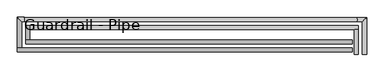
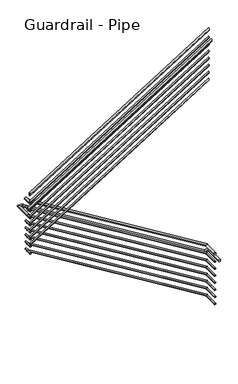
"""IFC4 building model written with IfcOpenShell, lengths in millimetres: railing geometry, Guardrail - Pipe."""

from ifc_helpers import new_model, si_unit, frame, origin, place, context, project, spatial, circle_curve, ellipse_curve, source, transform, mapped, element, save
from ifc_brep_helpers import plane_surface, cylinder_surface, advanced_brep


def guardrail_pipe_f8c8f8ec(model_context):
    return source(origin(), model_context, "Body", "AdvancedBrep", [
        advanced_brep(
        [(-10536.8064309, 2520.2151259, -2609.85), (-10574.9064309, 2520.2151259, -2609.85), (-10536.8064309, 2755.1651259, -2609.85), (-10574.9064309, 2755.1651259, -2609.85)],
        [
            (0, 1, circle_curve(frame((-10555.8564309, 2520.2151259, -2609.85), z_axis=(0.0, -1.0, 0.0), x_axis=(-1.0, 0.0, 0.0)), 19.05)),
            (1, 0, circle_curve(frame((-10555.8564309, 2520.2151259, -2609.85), z_axis=(0.0, -1.0, 0.0), x_axis=(-1.0, 0.0, 0.0)), 19.05)),
            (2, 3, circle_curve(frame((-10555.8564309, 2755.1651259, -2609.85), z_axis=(0.0, 1.0, 0.0), x_axis=(-1.0, 0.0, 0.0)), 19.05)),
            (3, 2, circle_curve(frame((-10555.8564309, 2755.1651259, -2609.85), z_axis=(0.0, 1.0, 0.0), x_axis=(-1.0, 0.0, 0.0)), 19.05)),
            (0, 2),
            (3, 1),
        ],
        [
            plane_surface(frame((-10555.8564309, 2520.2151259, -2590.8), z_axis=(0.0, -1.0, 0.0), x_axis=(0.0, 0.0, 1.0))),
            plane_surface(frame((-10555.8564309, 2755.1651259, -2590.8), z_axis=(0.0, 1.0, 0.0), x_axis=(0.0, 0.0, 1.0))),
            cylinder_surface(frame((-10555.8564309, 2520.2151259, -2609.85), z_axis=(0.0, -1.0, 0.0), x_axis=(-1.0, 0.0, 0.0)), 19.05),
        ],
        [
            (0, [[1, 2]]),
            (1, [[3, 4]]),
            (2, [[-1, 5, -4, 6]]),
            (2, [[-2, -6, -3, -5]]),
        ],
    ),
        advanced_brep(
        [(-10536.8064309, 2793.2651259, -2619.2225226), (-10536.8064309, 2755.1651259, -2619.2225226), (-13625.9612561, 2793.2651259, -724.5249041), (-13625.9612561, 2755.1651259, -724.5249041)],
        [
            (0, 1, ellipse_curve(frame((-10536.8064309, 2774.2151259, -2619.2225226), z_axis=(1.0, 0.0, 0.0), x_axis=(0.0, 0.0, -1.0)), 22.3477216, 19.05)),
            (1, 0, ellipse_curve(frame((-10536.8064309, 2774.2151259, -2619.2225226), z_axis=(1.0, 0.0, 0.0), x_axis=(0.0, 0.0, -1.0)), 22.3477216, 19.05)),
            (2, 3, ellipse_curve(frame((-13625.9612561, 2774.2151259, -724.5249041), z_axis=(-1.0, 0.0, 0.0), x_axis=(0.0, 0.0, -1.0)), 22.3477216, 19.05)),
            (3, 2, ellipse_curve(frame((-13625.9612561, 2774.2151259, -724.5249041), z_axis=(-1.0, 0.0, 0.0), x_axis=(0.0, 0.0, -1.0)), 22.3477216, 19.05)),
            (0, 2),
            (3, 1),
        ],
        [
            plane_surface(frame((-10536.8064309, 2774.2151259, -2596.874801), z_axis=(1.0, 0.0, 0.0), x_axis=(0.0, -1.0, 0.0))),
            plane_surface(frame((-13625.9612561, 2774.2151259, -702.1771825), z_axis=(-1.0, 0.0, 0.0), x_axis=(0.0, -1.0, 0.0))),
            cylinder_surface(frame((-10546.766376, 2774.2151259, -2613.1137048), z_axis=(0.8524358922743276, 0.0, -0.5228317602847697), x_axis=(0.0, -1.0, 0.0)), 19.05),
        ],
        [
            (0, [[1, 2]]),
            (1, [[3, 4]]),
            (2, [[-1, 5, -4, 6]]),
            (2, [[-2, -6, -3, -5]]),
        ],
    ),
        advanced_brep(
        [(-13664.0612561, 2793.2651259, -693.9642857), (-13625.9612561, 2793.2651259, -693.9642857), (-13664.0612561, 2656.0904418, -693.9642857), (-13625.9612561, 2656.0904418, -693.9642857)],
        [
            (0, 1, circle_curve(frame((-13645.0112561, 2793.2651259, -693.9642857), z_axis=(0.0, 1.0, 0.0), x_axis=(1.0, 0.0, 0.0)), 19.05)),
            (1, 0, circle_curve(frame((-13645.0112561, 2793.2651259, -693.9642857), z_axis=(0.0, 1.0, 0.0), x_axis=(1.0, 0.0, 0.0)), 19.05)),
            (2, 3, circle_curve(frame((-13645.0112561, 2656.0904418, -693.9642857), z_axis=(0.0, -1.0, 0.0), x_axis=(1.0, 0.0, 0.0)), 19.05)),
            (3, 2, circle_curve(frame((-13645.0112561, 2656.0904418, -693.9642857), z_axis=(0.0, -1.0, 0.0), x_axis=(1.0, 0.0, 0.0)), 19.05)),
            (0, 2),
            (3, 1),
        ],
        [
            plane_surface(frame((-13645.0112561, 2793.2651259, -674.9142857), z_axis=(0.0, 1.0, 0.0), x_axis=(0.0, 0.0, -1.0))),
            plane_surface(frame((-13645.0112561, 2656.0904418, -674.9142857), z_axis=(0.0, -1.0, 0.0), x_axis=(0.0, 0.0, -1.0))),
            cylinder_surface(frame((-13645.0112561, 2793.2651259, -693.9642857), z_axis=(0.0, 1.0, 0.0), x_axis=(1.0, 0.0, 0.0)), 19.05),
        ],
        [
            (0, [[1, 2]]),
            (1, [[3, 4]]),
            (2, [[-1, 5, -4, 6]]),
            (2, [[-2, -6, -3, -5]]),
        ],
    ),
        advanced_brep(
        [(-13664.0612561, 2617.9904418, -519.2327081), (-13664.0612561, 2656.0904418, -519.2327081), (-10597.0112561, 2617.9904418, 1392.6945646), (-10597.0112561, 2656.0904418, 1392.6945646)],
        [
            (0, 1, ellipse_curve(frame((-13664.0612561, 2637.0404418, -519.2327081), z_axis=(-1.0, 0.0, 0.0), x_axis=(0.0, 0.0, -1.0)), 22.4482925, 19.05)),
            (1, 0, ellipse_curve(frame((-13664.0612561, 2637.0404418, -519.2327081), z_axis=(-1.0, 0.0, 0.0), x_axis=(0.0, 0.0, -1.0)), 22.4482925, 19.05)),
            (2, 3, ellipse_curve(frame((-10597.0112561, 2637.0404418, 1392.6945646), z_axis=(1.0, 0.0, 0.0), x_axis=(0.0, 0.0, -1.0)), 22.4482925, 19.05)),
            (3, 2, ellipse_curve(frame((-10597.0112561, 2637.0404418, 1392.6945646), z_axis=(1.0, 0.0, 0.0), x_axis=(0.0, 0.0, -1.0)), 22.4482925, 19.05)),
            (0, 2),
            (3, 1),
        ],
        [
            plane_surface(frame((-13664.0612561, 2637.0404418, -496.7844156), z_axis=(-1.0, 0.0, 0.0), x_axis=(0.0, 1.0, 0.0))),
            plane_surface(frame((-10597.0112561, 2637.0404418, 1415.1428571), z_axis=(1.0, 0.0, 0.0), x_axis=(0.0, 1.0, 0.0))),
            cylinder_surface(frame((-13653.9836551, 2637.0404418, -512.9505672), z_axis=(-0.8486168825713742, 0.0, -0.5290079267977394), x_axis=(0.0, 1.0, 0.0)), 19.05),
        ],
        [
            (0, [[1, 2]]),
            (1, [[3, 4]]),
            (2, [[-1, 5, -4, 6]]),
            (2, [[-2, -6, -3, -5]]),
        ],
    ),
        advanced_brep(
        [(-10543.1564309, 2520.2151259, -2755.9), (-10568.5564309, 2520.2151259, -2755.9), (-10543.1564309, 2761.5151259, -2755.9), (-10568.5564309, 2761.5151259, -2755.9)],
        [
            (0, 1, circle_curve(frame((-10555.8564309, 2520.2151259, -2755.9), z_axis=(0.0, -1.0, 0.0), x_axis=(-1.0, 0.0, 0.0)), 12.7)),
            (1, 0, circle_curve(frame((-10555.8564309, 2520.2151259, -2755.9), z_axis=(0.0, -1.0, 0.0), x_axis=(-1.0, 0.0, 0.0)), 12.7)),
            (2, 3, circle_curve(frame((-10555.8564309, 2761.5151259, -2755.9), z_axis=(0.0, 1.0, 0.0), x_axis=(-1.0, 0.0, 0.0)), 12.7)),
            (3, 2, circle_curve(frame((-10555.8564309, 2761.5151259, -2755.9), z_axis=(0.0, 1.0, 0.0), x_axis=(-1.0, 0.0, 0.0)), 12.7)),
            (0, 2),
            (3, 1),
        ],
        [
            plane_surface(frame((-10555.8564309, 2520.2151259, -2743.2), z_axis=(0.0, -1.0, 0.0), x_axis=(0.0, 0.0, 1.0))),
            plane_surface(frame((-10555.8564309, 2761.5151259, -2743.2), z_axis=(0.0, 1.0, 0.0), x_axis=(0.0, 0.0, 1.0))),
            cylinder_surface(frame((-10555.8564309, 2520.2151259, -2755.9), z_axis=(0.0, -1.0, 0.0), x_axis=(-1.0, 0.0, 0.0)), 12.7),
        ],
        [
            (0, [[1, 2]]),
            (1, [[3, 4]]),
            (2, [[-1, 5, -4, 6]]),
            (2, [[-2, -6, -3, -5]]),
        ],
    ),
        advanced_brep(
        [(-10543.1564309, 2786.9151259, -2760.2785826), (-10543.1564309, 2761.5151259, -2760.2785826), (-13632.3112561, 2786.9151259, -865.580964), (-13632.3112561, 2761.5151259, -865.580964)],
        [
            (0, 1, ellipse_curve(frame((-10543.1564309, 2774.2151259, -2760.2785826), z_axis=(1.0, 0.0, 0.0), x_axis=(0.0, 0.0, -1.0)), 14.8984811, 12.7)),
            (1, 0, ellipse_curve(frame((-10543.1564309, 2774.2151259, -2760.2785826), z_axis=(1.0, 0.0, 0.0), x_axis=(0.0, 0.0, -1.0)), 14.8984811, 12.7)),
            (2, 3, ellipse_curve(frame((-13632.3112561, 2774.2151259, -865.580964), z_axis=(-1.0, 0.0, 0.0), x_axis=(0.0, 0.0, -1.0)), 14.8984811, 12.7)),
            (3, 2, ellipse_curve(frame((-13632.3112561, 2774.2151259, -865.580964), z_axis=(-1.0, 0.0, 0.0), x_axis=(0.0, 0.0, -1.0)), 14.8984811, 12.7)),
            (0, 2),
            (3, 1),
        ],
        [
            plane_surface(frame((-10543.1564309, 2774.2151259, -2745.3801015), z_axis=(1.0, 0.0, 0.0), x_axis=(0.0, -1.0, 0.0))),
            plane_surface(frame((-13632.3112561, 2774.2151259, -850.682483), z_axis=(-1.0, 0.0, 0.0), x_axis=(0.0, -1.0, 0.0))),
            cylinder_surface(frame((-10549.7963943, 2774.2151259, -2756.2060373), z_axis=(0.8524358922743276, 0.0, -0.5228317602847697), x_axis=(0.0, -1.0, 0.0)), 12.7),
        ],
        [
            (0, [[1, 2]]),
            (1, [[3, 4]]),
            (2, [[-1, 5, -4, 6]]),
            (2, [[-2, -6, -3, -5]]),
        ],
    ),
        advanced_brep(
        [(-13657.7112561, 2786.9151259, -840.0142857), (-13632.3112561, 2786.9151259, -840.0142857), (-13657.7112561, 2649.7404418, -840.0142857), (-13632.3112561, 2649.7404418, -840.0142857)],
        [
            (0, 1, circle_curve(frame((-13645.0112561, 2786.9151259, -840.0142857), z_axis=(0.0, 1.0, 0.0), x_axis=(1.0, 0.0, 0.0)), 12.7)),
            (1, 0, circle_curve(frame((-13645.0112561, 2786.9151259, -840.0142857), z_axis=(0.0, 1.0, 0.0), x_axis=(1.0, 0.0, 0.0)), 12.7)),
            (2, 3, circle_curve(frame((-13645.0112561, 2649.7404418, -840.0142857), z_axis=(0.0, -1.0, 0.0), x_axis=(1.0, 0.0, 0.0)), 12.7)),
            (3, 2, circle_curve(frame((-13645.0112561, 2649.7404418, -840.0142857), z_axis=(0.0, -1.0, 0.0), x_axis=(1.0, 0.0, 0.0)), 12.7)),
            (0, 2),
            (3, 1),
        ],
        [
            plane_surface(frame((-13645.0112561, 2786.9151259, -827.3142857), z_axis=(0.0, 1.0, 0.0), x_axis=(0.0, 0.0, -1.0))),
            plane_surface(frame((-13645.0112561, 2649.7404418, -827.3142857), z_axis=(0.0, -1.0, 0.0), x_axis=(0.0, 0.0, -1.0))),
            cylinder_surface(frame((-13645.0112561, 2786.9151259, -840.0142857), z_axis=(0.0, 1.0, 0.0), x_axis=(1.0, 0.0, 0.0)), 12.7),
        ],
        [
            (0, [[1, 2]]),
            (1, [[3, 4]]),
            (2, [[-1, 5, -4, 6]]),
            (2, [[-2, -6, -3, -5]]),
        ],
    ),
        advanced_brep(
        [(-13657.7112561, 2624.3404418, -660.1915024), (-13657.7112561, 2649.7404418, -660.1915024), (-10597.0112561, 2624.3404418, 1247.7773288), (-10597.0112561, 2649.7404418, 1247.7773288)],
        [
            (0, 1, ellipse_curve(frame((-13657.7112561, 2637.0404418, -660.1915024), z_axis=(-1.0, 0.0, 0.0), x_axis=(0.0, 0.0, -1.0)), 14.9655283, 12.7)),
            (1, 0, ellipse_curve(frame((-13657.7112561, 2637.0404418, -660.1915024), z_axis=(-1.0, 0.0, 0.0), x_axis=(0.0, 0.0, -1.0)), 14.9655283, 12.7)),
            (2, 3, ellipse_curve(frame((-10597.0112561, 2637.0404418, 1247.7773288), z_axis=(1.0, 0.0, 0.0), x_axis=(0.0, 0.0, -1.0)), 14.9655283, 12.7)),
            (3, 2, ellipse_curve(frame((-10597.0112561, 2637.0404418, 1247.7773288), z_axis=(1.0, 0.0, 0.0), x_axis=(0.0, 0.0, -1.0)), 14.9655283, 12.7)),
            (0, 2),
            (3, 1),
        ],
        [
            plane_surface(frame((-13657.7112561, 2637.0404418, -645.225974), z_axis=(-1.0, 0.0, 0.0), x_axis=(0.0, 1.0, 0.0))),
            plane_surface(frame((-10597.0112561, 2637.0404418, 1262.7428571), z_axis=(1.0, 0.0, 0.0), x_axis=(0.0, 1.0, 0.0))),
            cylinder_surface(frame((-13650.9928555, 2637.0404418, -656.0034084), z_axis=(-0.8486168825713742, 0.0, -0.5290079267977394), x_axis=(0.0, 1.0, 0.0)), 12.7),
        ],
        [
            (0, [[1, 2]]),
            (1, [[3, 4]]),
            (2, [[-1, 5, -4, 6]]),
            (2, [[-2, -6, -3, -5]]),
        ],
    ),
        advanced_brep(
        [(-10460.6064309, 2520.2151259, -2762.25), (-10498.7064309, 2520.2151259, -2762.25), (-10460.6064309, 2869.4651259, -2762.25), (-10498.7064309, 2831.3651259, -2762.25), (-10552.0875889, 2869.4651259, -2762.25), (-10552.0875889, 2831.3651259, -2762.25), (-13675.7879307, 2869.4651259, -846.3642857), (-13675.7879307, 2831.3651259, -846.3642857), (-13740.2612561, 2869.4651259, -846.3642857), (-13702.1612561, 2831.3651259, -846.3642857), (-13740.2612561, 2579.8904418, -846.3642857), (-13702.1612561, 2579.8904418, -846.3642857)],
        [
            (0, 1, circle_curve(frame((-10479.6564309, 2520.2151259, -2762.25), z_axis=(0.0, -1.0, 0.0), x_axis=(-1.0, 0.0, 0.0)), 19.05)),
            (1, 0, circle_curve(frame((-10479.6564309, 2520.2151259, -2762.25), z_axis=(0.0, -1.0, 0.0), x_axis=(-1.0, 0.0, 0.0)), 19.05)),
            (0, 2),
            (2, 3, ellipse_curve(frame((-10479.6564309, 2850.4151259, -2762.25), z_axis=(0.7071067811865462, -0.7071067811865488, 0.0), x_axis=(-0.7071067811865488, -0.7071067811865462, 0.0)), 26.9407684, 19.05)),
            (3, 1),
            (3, 2, ellipse_curve(frame((-10479.6564309, 2850.4151259, -2762.25), z_axis=(0.7071067811865462, -0.7071067811865488, 0.0), x_axis=(-0.7071067811865488, -0.7071067811865462, 0.0)), 26.9407684, 19.05)),
            (2, 4),
            (4, 5, ellipse_curve(frame((-10552.0875889, 2850.4151259, -2762.25), z_axis=(0.9624021748402088, 0.0, -0.27162852181395863), x_axis=(0.27162852181395825, 0.0, 0.962402174840209)), 19.7942196, 19.05)),
            (5, 3),
            (5, 4, ellipse_curve(frame((-10552.0875889, 2850.4151259, -2762.25), z_axis=(0.9624021748402088, 0.0, -0.27162852181395863), x_axis=(0.27162852181395825, 0.0, 0.962402174840209)), 19.7942196, 19.05)),
            (4, 6),
            (6, 7, ellipse_curve(frame((-13675.7879307, 2850.4151259, -846.3642857), z_axis=(0.9624021748402088, 0.0, -0.2716285218139585), x_axis=(-0.2716285218139585, 0.0, -0.9624021748402087)), 19.7942196, 19.05)),
            (7, 5),
            (7, 6, ellipse_curve(frame((-13675.7879307, 2850.4151259, -846.3642857), z_axis=(0.9624021748402088, 0.0, -0.2716285218139585), x_axis=(-0.2716285218139585, 0.0, -0.9624021748402087)), 19.7942196, 19.05)),
            (6, 8),
            (8, 9, ellipse_curve(frame((-13721.2112561, 2850.4151259, -846.3642857), z_axis=(0.7071067811865452, 0.7071067811865498, 0.0), x_axis=(0.7071067811865498, -0.7071067811865451, 0.0)), 26.9407684, 19.05)),
            (9, 7),
            (9, 8, ellipse_curve(frame((-13721.2112561, 2850.4151259, -846.3642857), z_axis=(0.7071067811865452, 0.7071067811865498, 0.0), x_axis=(0.7071067811865498, -0.7071067811865451, 0.0)), 26.9407684, 19.05)),
            (10, 11, circle_curve(frame((-13721.2112561, 2579.8904418, -846.3642857), z_axis=(0.0, -1.0, 0.0), x_axis=(1.0, 0.0, 0.0)), 19.05)),
            (11, 10, circle_curve(frame((-13721.2112561, 2579.8904418, -846.3642857), z_axis=(0.0, -1.0, 0.0), x_axis=(1.0, 0.0, 0.0)), 19.05)),
            (8, 10),
            (11, 9),
        ],
        [
            plane_surface(frame((-10479.6564309, 2520.2151259, -2743.2), z_axis=(0.0, -1.0, 0.0), x_axis=(0.0, 0.0, 1.0))),
            cylinder_surface(frame((-10479.6564309, 2520.2151259, -2762.25), z_axis=(0.0, -1.0, 0.0), x_axis=(-1.0, 0.0, 0.0)), 19.05),
            cylinder_surface(frame((-10479.6564309, 2850.4151259, -2762.25), z_axis=(1.0, 0.0, 0.0), x_axis=(0.0, -1.0, 0.0)), 19.05),
            cylinder_surface(frame((-10556.6708593, 2850.4151259, -2759.4389037), z_axis=(0.8524358922743276, 0.0, -0.5228317602847697), x_axis=(0.0, -1.0, 0.0)), 19.05),
            cylinder_surface(frame((-13670.4112561, 2850.4151259, -846.3642857), z_axis=(1.0, 0.0, 0.0), x_axis=(0.0, -1.0, 0.0)), 19.05),
            plane_surface(frame((-13721.2112561, 2579.8904418, -827.3142857), z_axis=(0.0, -1.0, 0.0), x_axis=(0.0, 0.0, -1.0))),
            cylinder_surface(frame((-13721.2112561, 2850.4151259, -846.3642857), z_axis=(0.0, 1.0, 0.0), x_axis=(1.0, 0.0, 0.0)), 19.05),
        ],
        [
            (0, [[1, 2]]),
            (1, [[-1, 3, 4, 5]]),
            (1, [[-2, -5, 6, -3]]),
            (2, [[-4, 7, 8, 9]]),
            (2, [[-6, -9, 10, -7]]),
            (3, [[-8, 11, 12, 13]]),
            (3, [[-10, -13, 14, -11]]),
            (4, [[-12, 15, 16, 17]]),
            (4, [[-14, -17, 18, -15]]),
            (5, [[19, 20]]),
            (6, [[-16, 21, -20, 22]]),
            (6, [[-18, -22, -19, -21]]),
        ],
    ),
        advanced_brep(
        [(-13740.2612561, 2541.7904418, -719.1340068), (-13740.2612561, 2579.8904418, -719.1340068), (-10597.0112561, 2541.7904418, 1240.2945646), (-10597.0112561, 2579.8904418, 1240.2945646)],
        [
            (0, 1, ellipse_curve(frame((-13740.2612561, 2560.8404418, -719.1340068), z_axis=(-1.0, 0.0, 0.0), x_axis=(0.0, 0.0, -1.0)), 22.4482925, 19.05)),
            (1, 0, ellipse_curve(frame((-13740.2612561, 2560.8404418, -719.1340068), z_axis=(-1.0, 0.0, 0.0), x_axis=(0.0, 0.0, -1.0)), 22.4482925, 19.05)),
            (2, 3, ellipse_curve(frame((-10597.0112561, 2560.8404418, 1240.2945646), z_axis=(1.0, 0.0, 0.0), x_axis=(0.0, 0.0, -1.0)), 22.4482925, 19.05)),
            (3, 2, ellipse_curve(frame((-10597.0112561, 2560.8404418, 1240.2945646), z_axis=(1.0, 0.0, 0.0), x_axis=(0.0, 0.0, -1.0)), 22.4482925, 19.05)),
            (0, 2),
            (3, 1),
        ],
        [
            plane_surface(frame((-13740.2612561, 2560.8404418, -696.6857143), z_axis=(-1.0, 0.0, 0.0), x_axis=(0.0, 1.0, 0.0))),
            plane_surface(frame((-10597.0112561, 2560.8404418, 1262.7428571), z_axis=(1.0, 0.0, 0.0), x_axis=(0.0, 1.0, 0.0))),
            cylinder_surface(frame((-13730.1836551, 2560.8404418, -712.8518659), z_axis=(-0.8486168825713741, 0.0, -0.5290079267977397), x_axis=(0.0, 1.0, 0.0)), 19.05),
        ],
        [
            (0, [[1, 2]]),
            (1, [[3, 4]]),
            (2, [[-1, 5, -4, 6]]),
            (2, [[-2, -6, -3, -5]]),
        ],
    ),
        advanced_brep(
        [(-10543.1564309, 2520.2151259, -2882.9), (-10568.5564309, 2520.2151259, -2882.9), (-10543.1564309, 2761.5151259, -2882.9), (-10568.5564309, 2761.5151259, -2882.9)],
        [
            (0, 1, circle_curve(frame((-10555.8564309, 2520.2151259, -2882.9), z_axis=(0.0, -1.0, 0.0), x_axis=(-1.0, 0.0, 0.0)), 12.7)),
            (1, 0, circle_curve(frame((-10555.8564309, 2520.2151259, -2882.9), z_axis=(0.0, -1.0, 0.0), x_axis=(-1.0, 0.0, 0.0)), 12.7)),
            (2, 3, circle_curve(frame((-10555.8564309, 2761.5151259, -2882.9), z_axis=(0.0, 1.0, 0.0), x_axis=(-1.0, 0.0, 0.0)), 12.7)),
            (3, 2, circle_curve(frame((-10555.8564309, 2761.5151259, -2882.9), z_axis=(0.0, 1.0, 0.0), x_axis=(-1.0, 0.0, 0.0)), 12.7)),
            (0, 2),
            (3, 1),
        ],
        [
            plane_surface(frame((-10555.8564309, 2520.2151259, -2870.2), z_axis=(0.0, -1.0, 0.0), x_axis=(0.0, 0.0, 1.0))),
            plane_surface(frame((-10555.8564309, 2761.5151259, -2870.2), z_axis=(0.0, 1.0, 0.0), x_axis=(0.0, 0.0, 1.0))),
            cylinder_surface(frame((-10555.8564309, 2520.2151259, -2882.9), z_axis=(0.0, -1.0, 0.0), x_axis=(-1.0, 0.0, 0.0)), 12.7),
        ],
        [
            (0, [[1, 2]]),
            (1, [[3, 4]]),
            (2, [[-1, 5, -4, 6]]),
            (2, [[-2, -6, -3, -5]]),
        ],
    ),
        advanced_brep(
        [(-10543.1564309, 2786.9151259, -2887.2785826), (-10543.1564309, 2761.5151259, -2887.2785826), (-13632.3112561, 2786.9151259, -992.580964), (-13632.3112561, 2761.5151259, -992.580964)],
        [
            (0, 1, ellipse_curve(frame((-10543.1564309, 2774.2151259, -2887.2785826), z_axis=(1.0, 0.0, 0.0), x_axis=(0.0, 0.0, -1.0)), 14.8984811, 12.7)),
            (1, 0, ellipse_curve(frame((-10543.1564309, 2774.2151259, -2887.2785826), z_axis=(1.0, 0.0, 0.0), x_axis=(0.0, 0.0, -1.0)), 14.8984811, 12.7)),
            (2, 3, ellipse_curve(frame((-13632.3112561, 2774.2151259, -992.580964), z_axis=(-1.0, 0.0, 0.0), x_axis=(0.0, 0.0, -1.0)), 14.8984811, 12.7)),
            (3, 2, ellipse_curve(frame((-13632.3112561, 2774.2151259, -992.580964), z_axis=(-1.0, 0.0, 0.0), x_axis=(0.0, 0.0, -1.0)), 14.8984811, 12.7)),
            (0, 2),
            (3, 1),
        ],
        [
            plane_surface(frame((-10543.1564309, 2774.2151259, -2872.3801015), z_axis=(1.0, 0.0, 0.0), x_axis=(0.0, -1.0, 0.0))),
            plane_surface(frame((-13632.3112561, 2774.2151259, -977.682483), z_axis=(-1.0, 0.0, 0.0), x_axis=(0.0, -1.0, 0.0))),
            cylinder_surface(frame((-10549.7963943, 2774.2151259, -2883.2060373), z_axis=(0.8524358922743277, 0.0, -0.5228317602847697), x_axis=(0.0, -1.0, 0.0)), 12.7),
        ],
        [
            (0, [[1, 2]]),
            (1, [[3, 4]]),
            (2, [[-1, 5, -4, 6]]),
            (2, [[-2, -6, -3, -5]]),
        ],
    ),
        advanced_brep(
        [(-13657.7112561, 2786.9151259, -967.0142857), (-13632.3112561, 2786.9151259, -967.0142857), (-13657.7112561, 2649.7404418, -967.0142857), (-13632.3112561, 2649.7404418, -967.0142857)],
        [
            (0, 1, circle_curve(frame((-13645.0112561, 2786.9151259, -967.0142857), z_axis=(0.0, 1.0, 0.0), x_axis=(1.0, 0.0, 0.0)), 12.7)),
            (1, 0, circle_curve(frame((-13645.0112561, 2786.9151259, -967.0142857), z_axis=(0.0, 1.0, 0.0), x_axis=(1.0, 0.0, 0.0)), 12.7)),
            (2, 3, circle_curve(frame((-13645.0112561, 2649.7404418, -967.0142857), z_axis=(0.0, -1.0, 0.0), x_axis=(1.0, 0.0, 0.0)), 12.7)),
            (3, 2, circle_curve(frame((-13645.0112561, 2649.7404418, -967.0142857), z_axis=(0.0, -1.0, 0.0), x_axis=(1.0, 0.0, 0.0)), 12.7)),
            (0, 2),
            (3, 1),
        ],
        [
            plane_surface(frame((-13645.0112561, 2786.9151259, -954.3142857), z_axis=(0.0, 1.0, 0.0), x_axis=(0.0, 0.0, -1.0))),
            plane_surface(frame((-13645.0112561, 2649.7404418, -954.3142857), z_axis=(0.0, -1.0, 0.0), x_axis=(0.0, 0.0, -1.0))),
            cylinder_surface(frame((-13645.0112561, 2786.9151259, -967.0142857), z_axis=(0.0, 1.0, 0.0), x_axis=(1.0, 0.0, 0.0)), 12.7),
        ],
        [
            (0, [[1, 2]]),
            (1, [[3, 4]]),
            (2, [[-1, 5, -4, 6]]),
            (2, [[-2, -6, -3, -5]]),
        ],
    ),
        advanced_brep(
        [(-13657.7112561, 2624.3404418, -787.1915024), (-13657.7112561, 2649.7404418, -787.1915024), (-10597.0112561, 2624.3404418, 1120.7773288), (-10597.0112561, 2649.7404418, 1120.7773288)],
        [
            (0, 1, ellipse_curve(frame((-13657.7112561, 2637.0404418, -787.1915024), z_axis=(-1.0, 0.0, 0.0), x_axis=(0.0, 0.0, -1.0)), 14.9655283, 12.7)),
            (1, 0, ellipse_curve(frame((-13657.7112561, 2637.0404418, -787.1915024), z_axis=(-1.0, 0.0, 0.0), x_axis=(0.0, 0.0, -1.0)), 14.9655283, 12.7)),
            (2, 3, ellipse_curve(frame((-10597.0112561, 2637.0404418, 1120.7773288), z_axis=(1.0, 0.0, 0.0), x_axis=(0.0, 0.0, -1.0)), 14.9655283, 12.7)),
            (3, 2, ellipse_curve(frame((-10597.0112561, 2637.0404418, 1120.7773288), z_axis=(1.0, 0.0, 0.0), x_axis=(0.0, 0.0, -1.0)), 14.9655283, 12.7)),
            (0, 2),
            (3, 1),
        ],
        [
            plane_surface(frame((-13657.7112561, 2637.0404418, -772.225974), z_axis=(-1.0, 0.0, 0.0), x_axis=(0.0, 1.0, 0.0))),
            plane_surface(frame((-10597.0112561, 2637.0404418, 1135.7428571), z_axis=(1.0, 0.0, 0.0), x_axis=(0.0, 1.0, 0.0))),
            cylinder_surface(frame((-13650.9928555, 2637.0404418, -783.0034084), z_axis=(-0.8486168825713742, 0.0, -0.5290079267977394), x_axis=(0.0, 1.0, 0.0)), 12.7),
        ],
        [
            (0, [[1, 2]]),
            (1, [[3, 4]]),
            (2, [[-1, 5, -4, 6]]),
            (2, [[-2, -6, -3, -5]]),
        ],
    ),
        advanced_brep(
        [(-10543.1564309, 2520.2151259, -3009.9), (-10568.5564309, 2520.2151259, -3009.9), (-10543.1564309, 2761.5151259, -3009.9), (-10568.5564309, 2761.5151259, -3009.9)],
        [
            (0, 1, circle_curve(frame((-10555.8564309, 2520.2151259, -3009.9), z_axis=(0.0, -1.0, 0.0), x_axis=(-1.0, 0.0, 0.0)), 12.7)),
            (1, 0, circle_curve(frame((-10555.8564309, 2520.2151259, -3009.9), z_axis=(0.0, -1.0, 0.0), x_axis=(-1.0, 0.0, 0.0)), 12.7)),
            (2, 3, circle_curve(frame((-10555.8564309, 2761.5151259, -3009.9), z_axis=(0.0, 1.0, 0.0), x_axis=(-1.0, 0.0, 0.0)), 12.7)),
            (3, 2, circle_curve(frame((-10555.8564309, 2761.5151259, -3009.9), z_axis=(0.0, 1.0, 0.0), x_axis=(-1.0, 0.0, 0.0)), 12.7)),
            (0, 2),
            (3, 1),
        ],
        [
            plane_surface(frame((-10555.8564309, 2520.2151259, -2997.2), z_axis=(0.0, -1.0, 0.0), x_axis=(0.0, 0.0, 1.0))),
            plane_surface(frame((-10555.8564309, 2761.5151259, -2997.2), z_axis=(0.0, 1.0, 0.0), x_axis=(0.0, 0.0, 1.0))),
            cylinder_surface(frame((-10555.8564309, 2520.2151259, -3009.9), z_axis=(0.0, -1.0, 0.0), x_axis=(-1.0, 0.0, 0.0)), 12.7),
        ],
        [
            (0, [[1, 2]]),
            (1, [[3, 4]]),
            (2, [[-1, 5, -4, 6]]),
            (2, [[-2, -6, -3, -5]]),
        ],
    ),
        advanced_brep(
        [(-10543.1564309, 2786.9151259, -3014.2785826), (-10543.1564309, 2761.5151259, -3014.2785826), (-13632.3112561, 2786.9151259, -1119.580964), (-13632.3112561, 2761.5151259, -1119.580964)],
        [
            (0, 1, ellipse_curve(frame((-10543.1564309, 2774.2151259, -3014.2785826), z_axis=(1.0, 0.0, 0.0), x_axis=(0.0, 0.0, -1.0)), 14.8984811, 12.7)),
            (1, 0, ellipse_curve(frame((-10543.1564309, 2774.2151259, -3014.2785826), z_axis=(1.0, 0.0, 0.0), x_axis=(0.0, 0.0, -1.0)), 14.8984811, 12.7)),
            (2, 3, ellipse_curve(frame((-13632.3112561, 2774.2151259, -1119.580964), z_axis=(-1.0, 0.0, 0.0), x_axis=(0.0, 0.0, -1.0)), 14.8984811, 12.7)),
            (3, 2, ellipse_curve(frame((-13632.3112561, 2774.2151259, -1119.580964), z_axis=(-1.0, 0.0, 0.0), x_axis=(0.0, 0.0, -1.0)), 14.8984811, 12.7)),
            (0, 2),
            (3, 1),
        ],
        [
            plane_surface(frame((-10543.1564309, 2774.2151259, -2999.3801015), z_axis=(1.0, 0.0, 0.0), x_axis=(0.0, -1.0, 0.0))),
            plane_surface(frame((-13632.3112561, 2774.2151259, -1104.682483), z_axis=(-1.0, 0.0, 0.0), x_axis=(0.0, -1.0, 0.0))),
            cylinder_surface(frame((-10549.7963943, 2774.2151259, -3010.2060373), z_axis=(0.8524358922743276, 0.0, -0.5228317602847697), x_axis=(0.0, -1.0, 0.0)), 12.7),
        ],
        [
            (0, [[1, 2]]),
            (1, [[3, 4]]),
            (2, [[-1, 5, -4, 6]]),
            (2, [[-2, -6, -3, -5]]),
        ],
    ),
        advanced_brep(
        [(-13657.7112561, 2786.9151259, -1094.0142857), (-13632.3112561, 2786.9151259, -1094.0142857), (-13657.7112561, 2649.7404418, -1094.0142857), (-13632.3112561, 2649.7404418, -1094.0142857)],
        [
            (0, 1, circle_curve(frame((-13645.0112561, 2786.9151259, -1094.0142857), z_axis=(0.0, 1.0, 0.0), x_axis=(1.0, 0.0, 0.0)), 12.7)),
            (1, 0, circle_curve(frame((-13645.0112561, 2786.9151259, -1094.0142857), z_axis=(0.0, 1.0, 0.0), x_axis=(1.0, 0.0, 0.0)), 12.7)),
            (2, 3, circle_curve(frame((-13645.0112561, 2649.7404418, -1094.0142857), z_axis=(0.0, -1.0, 0.0), x_axis=(1.0, 0.0, 0.0)), 12.7)),
            (3, 2, circle_curve(frame((-13645.0112561, 2649.7404418, -1094.0142857), z_axis=(0.0, -1.0, 0.0), x_axis=(1.0, 0.0, 0.0)), 12.7)),
            (0, 2),
            (3, 1),
        ],
        [
            plane_surface(frame((-13645.0112561, 2786.9151259, -1081.3142857), z_axis=(0.0, 1.0, 0.0), x_axis=(0.0, 0.0, -1.0))),
            plane_surface(frame((-13645.0112561, 2649.7404418, -1081.3142857), z_axis=(0.0, -1.0, 0.0), x_axis=(0.0, 0.0, -1.0))),
            cylinder_surface(frame((-13645.0112561, 2786.9151259, -1094.0142857), z_axis=(0.0, 1.0, 0.0), x_axis=(1.0, 0.0, 0.0)), 12.7),
        ],
        [
            (0, [[1, 2]]),
            (1, [[3, 4]]),
            (2, [[-1, 5, -4, 6]]),
            (2, [[-2, -6, -3, -5]]),
        ],
    ),
        advanced_brep(
        [(-13657.7112561, 2624.3404418, -914.1915024), (-13657.7112561, 2649.7404418, -914.1915024), (-10597.0112561, 2624.3404418, 993.7773288), (-10597.0112561, 2649.7404418, 993.7773288)],
        [
            (0, 1, ellipse_curve(frame((-13657.7112561, 2637.0404418, -914.1915024), z_axis=(-1.0, 0.0, 0.0), x_axis=(0.0, 0.0, -1.0)), 14.9655283, 12.7)),
            (1, 0, ellipse_curve(frame((-13657.7112561, 2637.0404418, -914.1915024), z_axis=(-1.0, 0.0, 0.0), x_axis=(0.0, 0.0, -1.0)), 14.9655283, 12.7)),
            (2, 3, ellipse_curve(frame((-10597.0112561, 2637.0404418, 993.7773288), z_axis=(1.0, 0.0, 0.0), x_axis=(0.0, 0.0, -1.0)), 14.9655283, 12.7)),
            (3, 2, ellipse_curve(frame((-10597.0112561, 2637.0404418, 993.7773288), z_axis=(1.0, 0.0, 0.0), x_axis=(0.0, 0.0, -1.0)), 14.9655283, 12.7)),
            (0, 2),
            (3, 1),
        ],
        [
            plane_surface(frame((-13657.7112561, 2637.0404418, -899.225974), z_axis=(-1.0, 0.0, 0.0), x_axis=(0.0, 1.0, 0.0))),
            plane_surface(frame((-10597.0112561, 2637.0404418, 1008.7428571), z_axis=(1.0, 0.0, 0.0), x_axis=(0.0, 1.0, 0.0))),
            cylinder_surface(frame((-13650.9928555, 2637.0404418, -910.0034084), z_axis=(-0.8486168825713742, 0.0, -0.5290079267977394), x_axis=(0.0, 1.0, 0.0)), 12.7),
        ],
        [
            (0, [[1, 2]]),
            (1, [[3, 4]]),
            (2, [[-1, 5, -4, 6]]),
            (2, [[-2, -6, -3, -5]]),
        ],
    ),
        advanced_brep(
        [(-10543.1564309, 2520.2151259, -3136.9), (-10568.5564309, 2520.2151259, -3136.9), (-10543.1564309, 2761.5151259, -3136.9), (-10568.5564309, 2761.5151259, -3136.9)],
        [
            (0, 1, circle_curve(frame((-10555.8564309, 2520.2151259, -3136.9), z_axis=(0.0, -1.0, 0.0), x_axis=(-1.0, 0.0, 0.0)), 12.7)),
            (1, 0, circle_curve(frame((-10555.8564309, 2520.2151259, -3136.9), z_axis=(0.0, -1.0, 0.0), x_axis=(-1.0, 0.0, 0.0)), 12.7)),
            (2, 3, circle_curve(frame((-10555.8564309, 2761.5151259, -3136.9), z_axis=(0.0, 1.0, 0.0), x_axis=(-1.0, 0.0, 0.0)), 12.7)),
            (3, 2, circle_curve(frame((-10555.8564309, 2761.5151259, -3136.9), z_axis=(0.0, 1.0, 0.0), x_axis=(-1.0, 0.0, 0.0)), 12.7)),
            (0, 2),
            (3, 1),
        ],
        [
            plane_surface(frame((-10555.8564309, 2520.2151259, -3124.2), z_axis=(0.0, -1.0, 0.0), x_axis=(0.0, 0.0, 1.0))),
            plane_surface(frame((-10555.8564309, 2761.5151259, -3124.2), z_axis=(0.0, 1.0, 0.0), x_axis=(0.0, 0.0, 1.0))),
            cylinder_surface(frame((-10555.8564309, 2520.2151259, -3136.9), z_axis=(0.0, -1.0, 0.0), x_axis=(-1.0, 0.0, 0.0)), 12.7),
        ],
        [
            (0, [[1, 2]]),
            (1, [[3, 4]]),
            (2, [[-1, 5, -4, 6]]),
            (2, [[-2, -6, -3, -5]]),
        ],
    ),
        advanced_brep(
        [(-10543.1564309, 2786.9151259, -3141.2785826), (-10543.1564309, 2761.5151259, -3141.2785826), (-13632.3112561, 2786.9151259, -1246.580964), (-13632.3112561, 2761.5151259, -1246.580964)],
        [
            (0, 1, ellipse_curve(frame((-10543.1564309, 2774.2151259, -3141.2785826), z_axis=(1.0, 0.0, 0.0), x_axis=(0.0, 0.0, -1.0)), 14.8984811, 12.7)),
            (1, 0, ellipse_curve(frame((-10543.1564309, 2774.2151259, -3141.2785826), z_axis=(1.0, 0.0, 0.0), x_axis=(0.0, 0.0, -1.0)), 14.8984811, 12.7)),
            (2, 3, ellipse_curve(frame((-13632.3112561, 2774.2151259, -1246.580964), z_axis=(-1.0, 0.0, 0.0), x_axis=(0.0, 0.0, -1.0)), 14.8984811, 12.7)),
            (3, 2, ellipse_curve(frame((-13632.3112561, 2774.2151259, -1246.580964), z_axis=(-1.0, 0.0, 0.0), x_axis=(0.0, 0.0, -1.0)), 14.8984811, 12.7)),
            (0, 2),
            (3, 1),
        ],
        [
            plane_surface(frame((-10543.1564309, 2774.2151259, -3126.3801015), z_axis=(1.0, 0.0, 0.0), x_axis=(0.0, -1.0, 0.0))),
            plane_surface(frame((-13632.3112561, 2774.2151259, -1231.682483), z_axis=(-1.0, 0.0, 0.0), x_axis=(0.0, -1.0, 0.0))),
            cylinder_surface(frame((-10549.7963943, 2774.2151259, -3137.2060373), z_axis=(0.8524358922743276, 0.0, -0.5228317602847697), x_axis=(0.0, -1.0, 0.0)), 12.7),
        ],
        [
            (0, [[1, 2]]),
            (1, [[3, 4]]),
            (2, [[-1, 5, -4, 6]]),
            (2, [[-2, -6, -3, -5]]),
        ],
    ),
        advanced_brep(
        [(-13657.7112561, 2786.9151259, -1221.0142857), (-13632.3112561, 2786.9151259, -1221.0142857), (-13657.7112561, 2649.7404418, -1221.0142857), (-13632.3112561, 2649.7404418, -1221.0142857)],
        [
            (0, 1, circle_curve(frame((-13645.0112561, 2786.9151259, -1221.0142857), z_axis=(0.0, 1.0, 0.0), x_axis=(1.0, 0.0, 0.0)), 12.7)),
            (1, 0, circle_curve(frame((-13645.0112561, 2786.9151259, -1221.0142857), z_axis=(0.0, 1.0, 0.0), x_axis=(1.0, 0.0, 0.0)), 12.7)),
            (2, 3, circle_curve(frame((-13645.0112561, 2649.7404418, -1221.0142857), z_axis=(0.0, -1.0, 0.0), x_axis=(1.0, 0.0, 0.0)), 12.7)),
            (3, 2, circle_curve(frame((-13645.0112561, 2649.7404418, -1221.0142857), z_axis=(0.0, -1.0, 0.0), x_axis=(1.0, 0.0, 0.0)), 12.7)),
            (0, 2),
            (3, 1),
        ],
        [
            plane_surface(frame((-13645.0112561, 2786.9151259, -1208.3142857), z_axis=(0.0, 1.0, 0.0), x_axis=(0.0, 0.0, -1.0))),
            plane_surface(frame((-13645.0112561, 2649.7404418, -1208.3142857), z_axis=(0.0, -1.0, 0.0), x_axis=(0.0, 0.0, -1.0))),
            cylinder_surface(frame((-13645.0112561, 2786.9151259, -1221.0142857), z_axis=(0.0, 1.0, 0.0), x_axis=(1.0, 0.0, 0.0)), 12.7),
        ],
        [
            (0, [[1, 2]]),
            (1, [[3, 4]]),
            (2, [[-1, 5, -4, 6]]),
            (2, [[-2, -6, -3, -5]]),
        ],
    ),
        advanced_brep(
        [(-13657.7112561, 2624.3404418, -1041.1915024), (-13657.7112561, 2649.7404418, -1041.1915024), (-10597.0112561, 2624.3404418, 866.7773288), (-10597.0112561, 2649.7404418, 866.7773288)],
        [
            (0, 1, ellipse_curve(frame((-13657.7112561, 2637.0404418, -1041.1915024), z_axis=(-1.0, 0.0, 0.0), x_axis=(0.0, 0.0, -1.0)), 14.9655283, 12.7)),
            (1, 0, ellipse_curve(frame((-13657.7112561, 2637.0404418, -1041.1915024), z_axis=(-1.0, 0.0, 0.0), x_axis=(0.0, 0.0, -1.0)), 14.9655283, 12.7)),
            (2, 3, ellipse_curve(frame((-10597.0112561, 2637.0404418, 866.7773288), z_axis=(1.0, 0.0, 0.0), x_axis=(0.0, 0.0, -1.0)), 14.9655283, 12.7)),
            (3, 2, ellipse_curve(frame((-10597.0112561, 2637.0404418, 866.7773288), z_axis=(1.0, 0.0, 0.0), x_axis=(0.0, 0.0, -1.0)), 14.9655283, 12.7)),
            (0, 2),
            (3, 1),
        ],
        [
            plane_surface(frame((-13657.7112561, 2637.0404418, -1026.225974), z_axis=(-1.0, 0.0, 0.0), x_axis=(0.0, 1.0, 0.0))),
            plane_surface(frame((-10597.0112561, 2637.0404418, 881.7428571), z_axis=(1.0, 0.0, 0.0), x_axis=(0.0, 1.0, 0.0))),
            cylinder_surface(frame((-13650.9928555, 2637.0404418, -1037.0034084), z_axis=(-0.8486168825713742, 0.0, -0.5290079267977394), x_axis=(0.0, 1.0, 0.0)), 12.7),
        ],
        [
            (0, [[1, 2]]),
            (1, [[3, 4]]),
            (2, [[-1, 5, -4, 6]]),
            (2, [[-2, -6, -3, -5]]),
        ],
    ),
        advanced_brep(
        [(-10543.1564309, 2520.2151259, -3263.9), (-10568.5564309, 2520.2151259, -3263.9), (-10543.1564309, 2761.5151259, -3263.9), (-10568.5564309, 2761.5151259, -3263.9)],
        [
            (0, 1, circle_curve(frame((-10555.8564309, 2520.2151259, -3263.9), z_axis=(0.0, -1.0, 0.0), x_axis=(-1.0, 0.0, 0.0)), 12.7)),
            (1, 0, circle_curve(frame((-10555.8564309, 2520.2151259, -3263.9), z_axis=(0.0, -1.0, 0.0), x_axis=(-1.0, 0.0, 0.0)), 12.7)),
            (2, 3, circle_curve(frame((-10555.8564309, 2761.5151259, -3263.9), z_axis=(0.0, 1.0, 0.0), x_axis=(-1.0, 0.0, 0.0)), 12.7)),
            (3, 2, circle_curve(frame((-10555.8564309, 2761.5151259, -3263.9), z_axis=(0.0, 1.0, 0.0), x_axis=(-1.0, 0.0, 0.0)), 12.7)),
            (0, 2),
            (3, 1),
        ],
        [
            plane_surface(frame((-10555.8564309, 2520.2151259, -3251.2), z_axis=(0.0, -1.0, 0.0), x_axis=(0.0, 0.0, 1.0))),
            plane_surface(frame((-10555.8564309, 2761.5151259, -3251.2), z_axis=(0.0, 1.0, 0.0), x_axis=(0.0, 0.0, 1.0))),
            cylinder_surface(frame((-10555.8564309, 2520.2151259, -3263.9), z_axis=(0.0, -1.0, 0.0), x_axis=(-1.0, 0.0, 0.0)), 12.7),
        ],
        [
            (0, [[1, 2]]),
            (1, [[3, 4]]),
            (2, [[-1, 5, -4, 6]]),
            (2, [[-2, -6, -3, -5]]),
        ],
    ),
        advanced_brep(
        [(-10543.1564309, 2786.9151259, -3268.2785826), (-10543.1564309, 2761.5151259, -3268.2785826), (-13632.3112561, 2786.9151259, -1373.580964), (-13632.3112561, 2761.5151259, -1373.580964)],
        [
            (0, 1, ellipse_curve(frame((-10543.1564309, 2774.2151259, -3268.2785826), z_axis=(1.0, 0.0, 0.0), x_axis=(0.0, 0.0, -1.0)), 14.8984811, 12.7)),
            (1, 0, ellipse_curve(frame((-10543.1564309, 2774.2151259, -3268.2785826), z_axis=(1.0, 0.0, 0.0), x_axis=(0.0, 0.0, -1.0)), 14.8984811, 12.7)),
            (2, 3, ellipse_curve(frame((-13632.3112561, 2774.2151259, -1373.580964), z_axis=(-1.0, 0.0, 0.0), x_axis=(0.0, 0.0, -1.0)), 14.8984811, 12.7)),
            (3, 2, ellipse_curve(frame((-13632.3112561, 2774.2151259, -1373.580964), z_axis=(-1.0, 0.0, 0.0), x_axis=(0.0, 0.0, -1.0)), 14.8984811, 12.7)),
            (0, 2),
            (3, 1),
        ],
        [
            plane_surface(frame((-10543.1564309, 2774.2151259, -3253.3801015), z_axis=(1.0, 0.0, 0.0), x_axis=(0.0, -1.0, 0.0))),
            plane_surface(frame((-13632.3112561, 2774.2151259, -1358.682483), z_axis=(-1.0, 0.0, 0.0), x_axis=(0.0, -1.0, 0.0))),
            cylinder_surface(frame((-10549.7963943, 2774.2151259, -3264.2060373), z_axis=(0.8524358922743277, 0.0, -0.5228317602847697), x_axis=(0.0, -1.0, 0.0)), 12.7),
        ],
        [
            (0, [[1, 2]]),
            (1, [[3, 4]]),
            (2, [[-1, 5, -4, 6]]),
            (2, [[-2, -6, -3, -5]]),
        ],
    ),
        advanced_brep(
        [(-13657.7112561, 2786.9151259, -1348.0142857), (-13632.3112561, 2786.9151259, -1348.0142857), (-13657.7112561, 2649.7404418, -1348.0142857), (-13632.3112561, 2649.7404418, -1348.0142857)],
        [
            (0, 1, circle_curve(frame((-13645.0112561, 2786.9151259, -1348.0142857), z_axis=(0.0, 1.0, 0.0), x_axis=(1.0, 0.0, 0.0)), 12.7)),
            (1, 0, circle_curve(frame((-13645.0112561, 2786.9151259, -1348.0142857), z_axis=(0.0, 1.0, 0.0), x_axis=(1.0, 0.0, 0.0)), 12.7)),
            (2, 3, circle_curve(frame((-13645.0112561, 2649.7404418, -1348.0142857), z_axis=(0.0, -1.0, 0.0), x_axis=(1.0, 0.0, 0.0)), 12.7)),
            (3, 2, circle_curve(frame((-13645.0112561, 2649.7404418, -1348.0142857), z_axis=(0.0, -1.0, 0.0), x_axis=(1.0, 0.0, 0.0)), 12.7)),
            (0, 2),
            (3, 1),
        ],
        [
            plane_surface(frame((-13645.0112561, 2786.9151259, -1335.3142857), z_axis=(0.0, 1.0, 0.0), x_axis=(0.0, 0.0, -1.0))),
            plane_surface(frame((-13645.0112561, 2649.7404418, -1335.3142857), z_axis=(0.0, -1.0, 0.0), x_axis=(0.0, 0.0, -1.0))),
            cylinder_surface(frame((-13645.0112561, 2786.9151259, -1348.0142857), z_axis=(0.0, 1.0, 0.0), x_axis=(1.0, 0.0, 0.0)), 12.7),
        ],
        [
            (0, [[1, 2]]),
            (1, [[3, 4]]),
            (2, [[-1, 5, -4, 6]]),
            (2, [[-2, -6, -3, -5]]),
        ],
    ),
        advanced_brep(
        [(-13657.7112561, 2624.3404418, -1168.1915024), (-13657.7112561, 2649.7404418, -1168.1915024), (-10597.0112561, 2624.3404418, 739.7773288), (-10597.0112561, 2649.7404418, 739.7773288)],
        [
            (0, 1, ellipse_curve(frame((-13657.7112561, 2637.0404418, -1168.1915024), z_axis=(-1.0, 0.0, 0.0), x_axis=(0.0, 0.0, -1.0)), 14.9655283, 12.7)),
            (1, 0, ellipse_curve(frame((-13657.7112561, 2637.0404418, -1168.1915024), z_axis=(-1.0, 0.0, 0.0), x_axis=(0.0, 0.0, -1.0)), 14.9655283, 12.7)),
            (2, 3, ellipse_curve(frame((-10597.0112561, 2637.0404418, 739.7773288), z_axis=(1.0, 0.0, 0.0), x_axis=(0.0, 0.0, -1.0)), 14.9655283, 12.7)),
            (3, 2, ellipse_curve(frame((-10597.0112561, 2637.0404418, 739.7773288), z_axis=(1.0, 0.0, 0.0), x_axis=(0.0, 0.0, -1.0)), 14.9655283, 12.7)),
            (0, 2),
            (3, 1),
        ],
        [
            plane_surface(frame((-13657.7112561, 2637.0404418, -1153.225974), z_axis=(-1.0, 0.0, 0.0), x_axis=(0.0, 1.0, 0.0))),
            plane_surface(frame((-10597.0112561, 2637.0404418, 754.7428571), z_axis=(1.0, 0.0, 0.0), x_axis=(0.0, 1.0, 0.0))),
            cylinder_surface(frame((-13650.9928555, 2637.0404418, -1164.0034084), z_axis=(-0.8486168825713742, 0.0, -0.5290079267977394), x_axis=(0.0, 1.0, 0.0)), 12.7),
        ],
        [
            (0, [[1, 2]]),
            (1, [[3, 4]]),
            (2, [[-1, 5, -4, 6]]),
            (2, [[-2, -6, -3, -5]]),
        ],
    ),
        advanced_brep(
        [(-10543.1564309, 2520.2151259, -3390.9), (-10568.5564309, 2520.2151259, -3390.9), (-10543.1564309, 2761.5151259, -3390.9), (-10568.5564309, 2761.5151259, -3390.9)],
        [
            (0, 1, circle_curve(frame((-10555.8564309, 2520.2151259, -3390.9), z_axis=(0.0, -1.0, 0.0), x_axis=(-1.0, 0.0, 0.0)), 12.7)),
            (1, 0, circle_curve(frame((-10555.8564309, 2520.2151259, -3390.9), z_axis=(0.0, -1.0, 0.0), x_axis=(-1.0, 0.0, 0.0)), 12.7)),
            (2, 3, circle_curve(frame((-10555.8564309, 2761.5151259, -3390.9), z_axis=(0.0, 1.0, 0.0), x_axis=(-1.0, 0.0, 0.0)), 12.7)),
            (3, 2, circle_curve(frame((-10555.8564309, 2761.5151259, -3390.9), z_axis=(0.0, 1.0, 0.0), x_axis=(-1.0, 0.0, 0.0)), 12.7)),
            (0, 2),
            (3, 1),
        ],
        [
            plane_surface(frame((-10555.8564309, 2520.2151259, -3378.2), z_axis=(0.0, -1.0, 0.0), x_axis=(0.0, 0.0, 1.0))),
            plane_surface(frame((-10555.8564309, 2761.5151259, -3378.2), z_axis=(0.0, 1.0, 0.0), x_axis=(0.0, 0.0, 1.0))),
            cylinder_surface(frame((-10555.8564309, 2520.2151259, -3390.9), z_axis=(0.0, -1.0, 0.0), x_axis=(-1.0, 0.0, 0.0)), 12.7),
        ],
        [
            (0, [[1, 2]]),
            (1, [[3, 4]]),
            (2, [[-1, 5, -4, 6]]),
            (2, [[-2, -6, -3, -5]]),
        ],
    ),
        advanced_brep(
        [(-10543.1564309, 2786.9151259, -3395.2785826), (-10543.1564309, 2761.5151259, -3395.2785826), (-13632.3112561, 2786.9151259, -1500.580964), (-13632.3112561, 2761.5151259, -1500.580964)],
        [
            (0, 1, ellipse_curve(frame((-10543.1564309, 2774.2151259, -3395.2785826), z_axis=(1.0, 0.0, 0.0), x_axis=(0.0, 0.0, -1.0)), 14.8984811, 12.7)),
            (1, 0, ellipse_curve(frame((-10543.1564309, 2774.2151259, -3395.2785826), z_axis=(1.0, 0.0, 0.0), x_axis=(0.0, 0.0, -1.0)), 14.8984811, 12.7)),
            (2, 3, ellipse_curve(frame((-13632.3112561, 2774.2151259, -1500.580964), z_axis=(-1.0, 0.0, 0.0), x_axis=(0.0, 0.0, -1.0)), 14.8984811, 12.7)),
            (3, 2, ellipse_curve(frame((-13632.3112561, 2774.2151259, -1500.580964), z_axis=(-1.0, 0.0, 0.0), x_axis=(0.0, 0.0, -1.0)), 14.8984811, 12.7)),
            (0, 2),
            (3, 1),
        ],
        [
            plane_surface(frame((-10543.1564309, 2774.2151259, -3380.3801015), z_axis=(1.0, 0.0, 0.0), x_axis=(0.0, -1.0, 0.0))),
            plane_surface(frame((-13632.3112561, 2774.2151259, -1485.682483), z_axis=(-1.0, 0.0, 0.0), x_axis=(0.0, -1.0, 0.0))),
            cylinder_surface(frame((-10549.7963943, 2774.2151259, -3391.2060373), z_axis=(0.8524358922743276, 0.0, -0.5228317602847699), x_axis=(0.0, -1.0, 0.0)), 12.7),
        ],
        [
            (0, [[1, 2]]),
            (1, [[3, 4]]),
            (2, [[-1, 5, -4, 6]]),
            (2, [[-2, -6, -3, -5]]),
        ],
    ),
        advanced_brep(
        [(-13657.7112561, 2786.9151259, -1475.0142857), (-13632.3112561, 2786.9151259, -1475.0142857), (-13657.7112561, 2649.7404418, -1475.0142857), (-13632.3112561, 2649.7404418, -1475.0142857)],
        [
            (0, 1, circle_curve(frame((-13645.0112561, 2786.9151259, -1475.0142857), z_axis=(0.0, 1.0, 0.0), x_axis=(1.0, 0.0, 0.0)), 12.7)),
            (1, 0, circle_curve(frame((-13645.0112561, 2786.9151259, -1475.0142857), z_axis=(0.0, 1.0, 0.0), x_axis=(1.0, 0.0, 0.0)), 12.7)),
            (2, 3, circle_curve(frame((-13645.0112561, 2649.7404418, -1475.0142857), z_axis=(0.0, -1.0, 0.0), x_axis=(1.0, 0.0, 0.0)), 12.7)),
            (3, 2, circle_curve(frame((-13645.0112561, 2649.7404418, -1475.0142857), z_axis=(0.0, -1.0, 0.0), x_axis=(1.0, 0.0, 0.0)), 12.7)),
            (0, 2),
            (3, 1),
        ],
        [
            plane_surface(frame((-13645.0112561, 2786.9151259, -1462.3142857), z_axis=(0.0, 1.0, 0.0), x_axis=(0.0, 0.0, -1.0))),
            plane_surface(frame((-13645.0112561, 2649.7404418, -1462.3142857), z_axis=(0.0, -1.0, 0.0), x_axis=(0.0, 0.0, -1.0))),
            cylinder_surface(frame((-13645.0112561, 2786.9151259, -1475.0142857), z_axis=(0.0, 1.0, 0.0), x_axis=(1.0, 0.0, 0.0)), 12.7),
        ],
        [
            (0, [[1, 2]]),
            (1, [[3, 4]]),
            (2, [[-1, 5, -4, 6]]),
            (2, [[-2, -6, -3, -5]]),
        ],
    ),
        advanced_brep(
        [(-13657.7112561, 2624.3404418, -1295.1915024), (-13657.7112561, 2649.7404418, -1295.1915024), (-10597.0112561, 2624.3404418, 612.7773288), (-10597.0112561, 2649.7404418, 612.7773288)],
        [
            (0, 1, ellipse_curve(frame((-13657.7112561, 2637.0404418, -1295.1915024), z_axis=(-1.0, 0.0, 0.0), x_axis=(0.0, 0.0, -1.0)), 14.9655283, 12.7)),
            (1, 0, ellipse_curve(frame((-13657.7112561, 2637.0404418, -1295.1915024), z_axis=(-1.0, 0.0, 0.0), x_axis=(0.0, 0.0, -1.0)), 14.9655283, 12.7)),
            (2, 3, ellipse_curve(frame((-10597.0112561, 2637.0404418, 612.7773288), z_axis=(1.0, 0.0, 0.0), x_axis=(0.0, 0.0, -1.0)), 14.9655283, 12.7)),
            (3, 2, ellipse_curve(frame((-10597.0112561, 2637.0404418, 612.7773288), z_axis=(1.0, 0.0, 0.0), x_axis=(0.0, 0.0, -1.0)), 14.9655283, 12.7)),
            (0, 2),
            (3, 1),
        ],
        [
            plane_surface(frame((-13657.7112561, 2637.0404418, -1280.225974), z_axis=(-1.0, 0.0, 0.0), x_axis=(0.0, 1.0, 0.0))),
            plane_surface(frame((-10597.0112561, 2637.0404418, 627.7428571), z_axis=(1.0, 0.0, 0.0), x_axis=(0.0, 1.0, 0.0))),
            cylinder_surface(frame((-13650.9928555, 2637.0404418, -1291.0034084), z_axis=(-0.8486168825713742, 0.0, -0.5290079267977394), x_axis=(0.0, 1.0, 0.0)), 12.7),
        ],
        [
            (0, [[1, 2]]),
            (1, [[3, 4]]),
            (2, [[-1, 5, -4, 6]]),
            (2, [[-2, -6, -3, -5]]),
        ],
    ),
        advanced_brep(
        [(-10543.1564309, 2520.2151259, -3517.9), (-10568.5564309, 2520.2151259, -3517.9), (-10543.1564309, 2761.5151259, -3517.9), (-10568.5564309, 2761.5151259, -3517.9)],
        [
            (0, 1, circle_curve(frame((-10555.8564309, 2520.2151259, -3517.9), z_axis=(0.0, -1.0, 0.0), x_axis=(-1.0, 0.0, 0.0)), 12.7)),
            (1, 0, circle_curve(frame((-10555.8564309, 2520.2151259, -3517.9), z_axis=(0.0, -1.0, 0.0), x_axis=(-1.0, 0.0, 0.0)), 12.7)),
            (2, 3, circle_curve(frame((-10555.8564309, 2761.5151259, -3517.9), z_axis=(0.0, 1.0, 0.0), x_axis=(-1.0, 0.0, 0.0)), 12.7)),
            (3, 2, circle_curve(frame((-10555.8564309, 2761.5151259, -3517.9), z_axis=(0.0, 1.0, 0.0), x_axis=(-1.0, 0.0, 0.0)), 12.7)),
            (0, 2),
            (3, 1),
        ],
        [
            plane_surface(frame((-10555.8564309, 2520.2151259, -3505.2), z_axis=(0.0, -1.0, 0.0), x_axis=(0.0, 0.0, 1.0))),
            plane_surface(frame((-10555.8564309, 2761.5151259, -3505.2), z_axis=(0.0, 1.0, 0.0), x_axis=(0.0, 0.0, 1.0))),
            cylinder_surface(frame((-10555.8564309, 2520.2151259, -3517.9), z_axis=(0.0, -1.0, 0.0), x_axis=(-1.0, 0.0, 0.0)), 12.7),
        ],
        [
            (0, [[1, 2]]),
            (1, [[3, 4]]),
            (2, [[-1, 5, -4, 6]]),
            (2, [[-2, -6, -3, -5]]),
        ],
    ),
        advanced_brep(
        [(-10543.1564309, 2786.9151259, -3522.2785826), (-10543.1564309, 2761.5151259, -3522.2785826), (-13632.3112561, 2786.9151259, -1627.580964), (-13632.3112561, 2761.5151259, -1627.580964)],
        [
            (0, 1, ellipse_curve(frame((-10543.1564309, 2774.2151259, -3522.2785826), z_axis=(1.0, 0.0, 0.0), x_axis=(0.0, 0.0, -1.0)), 14.8984811, 12.7)),
            (1, 0, ellipse_curve(frame((-10543.1564309, 2774.2151259, -3522.2785826), z_axis=(1.0, 0.0, 0.0), x_axis=(0.0, 0.0, -1.0)), 14.8984811, 12.7)),
            (2, 3, ellipse_curve(frame((-13632.3112561, 2774.2151259, -1627.580964), z_axis=(-1.0, 0.0, 0.0), x_axis=(0.0, 0.0, -1.0)), 14.8984811, 12.7)),
            (3, 2, ellipse_curve(frame((-13632.3112561, 2774.2151259, -1627.580964), z_axis=(-1.0, 0.0, 0.0), x_axis=(0.0, 0.0, -1.0)), 14.8984811, 12.7)),
            (0, 2),
            (3, 1),
        ],
        [
            plane_surface(frame((-10543.1564309, 2774.2151259, -3507.3801015), z_axis=(1.0, 0.0, 0.0), x_axis=(0.0, -1.0, 0.0))),
            plane_surface(frame((-13632.3112561, 2774.2151259, -1612.682483), z_axis=(-1.0, 0.0, 0.0), x_axis=(0.0, -1.0, 0.0))),
            cylinder_surface(frame((-10549.7963943, 2774.2151259, -3518.2060373), z_axis=(0.8524358922743276, 0.0, -0.5228317602847697), x_axis=(0.0, -1.0, 0.0)), 12.7),
        ],
        [
            (0, [[1, 2]]),
            (1, [[3, 4]]),
            (2, [[-1, 5, -4, 6]]),
            (2, [[-2, -6, -3, -5]]),
        ],
    ),
        advanced_brep(
        [(-13657.7112561, 2786.9151259, -1602.0142857), (-13632.3112561, 2786.9151259, -1602.0142857), (-13657.7112561, 2649.7404418, -1602.0142857), (-13632.3112561, 2649.7404418, -1602.0142857)],
        [
            (0, 1, circle_curve(frame((-13645.0112561, 2786.9151259, -1602.0142857), z_axis=(0.0, 1.0, 0.0), x_axis=(1.0, 0.0, 0.0)), 12.7)),
            (1, 0, circle_curve(frame((-13645.0112561, 2786.9151259, -1602.0142857), z_axis=(0.0, 1.0, 0.0), x_axis=(1.0, 0.0, 0.0)), 12.7)),
            (2, 3, circle_curve(frame((-13645.0112561, 2649.7404418, -1602.0142857), z_axis=(0.0, -1.0, 0.0), x_axis=(1.0, 0.0, 0.0)), 12.7)),
            (3, 2, circle_curve(frame((-13645.0112561, 2649.7404418, -1602.0142857), z_axis=(0.0, -1.0, 0.0), x_axis=(1.0, 0.0, 0.0)), 12.7)),
            (0, 2),
            (3, 1),
        ],
        [
            plane_surface(frame((-13645.0112561, 2786.9151259, -1589.3142857), z_axis=(0.0, 1.0, 0.0), x_axis=(0.0, 0.0, -1.0))),
            plane_surface(frame((-13645.0112561, 2649.7404418, -1589.3142857), z_axis=(0.0, -1.0, 0.0), x_axis=(0.0, 0.0, -1.0))),
            cylinder_surface(frame((-13645.0112561, 2786.9151259, -1602.0142857), z_axis=(0.0, 1.0, 0.0), x_axis=(1.0, 0.0, 0.0)), 12.7),
        ],
        [
            (0, [[1, 2]]),
            (1, [[3, 4]]),
            (2, [[-1, 5, -4, 6]]),
            (2, [[-2, -6, -3, -5]]),
        ],
    ),
        advanced_brep(
        [(-13657.7112561, 2624.3404418, -1422.1915024), (-13657.7112561, 2649.7404418, -1422.1915024), (-10597.0112561, 2624.3404418, 485.7773288), (-10597.0112561, 2649.7404418, 485.7773288)],
        [
            (0, 1, ellipse_curve(frame((-13657.7112561, 2637.0404418, -1422.1915024), z_axis=(-1.0, 0.0, 0.0), x_axis=(0.0, 0.0, -1.0)), 14.9655283, 12.7)),
            (1, 0, ellipse_curve(frame((-13657.7112561, 2637.0404418, -1422.1915024), z_axis=(-1.0, 0.0, 0.0), x_axis=(0.0, 0.0, -1.0)), 14.9655283, 12.7)),
            (2, 3, ellipse_curve(frame((-10597.0112561, 2637.0404418, 485.7773288), z_axis=(1.0, 0.0, 0.0), x_axis=(0.0, 0.0, -1.0)), 14.9655283, 12.7)),
            (3, 2, ellipse_curve(frame((-10597.0112561, 2637.0404418, 485.7773288), z_axis=(1.0, 0.0, 0.0), x_axis=(0.0, 0.0, -1.0)), 14.9655283, 12.7)),
            (0, 2),
            (3, 1),
        ],
        [
            plane_surface(frame((-13657.7112561, 2637.0404418, -1407.225974), z_axis=(-1.0, 0.0, 0.0), x_axis=(0.0, 1.0, 0.0))),
            plane_surface(frame((-10597.0112561, 2637.0404418, 500.7428571), z_axis=(1.0, 0.0, 0.0), x_axis=(0.0, 1.0, 0.0))),
            cylinder_surface(frame((-13650.9928555, 2637.0404418, -1418.0034084), z_axis=(-0.8486168825713742, 0.0, -0.5290079267977394), x_axis=(0.0, 1.0, 0.0)), 12.7),
        ],
        [
            (0, [[1, 2]]),
            (1, [[3, 4]]),
            (2, [[-1, 5, -4, 6]]),
            (2, [[-2, -6, -3, -5]]),
        ],
    ),
    ])


if __name__ == "__main__":
    model = new_model("IFC4")
    model_context = context("Model", 3, world=origin())
    ifc_project = project(units=[si_unit("LENGTHUNIT", "METRE", prefix="MILLI")], contexts=[model_context])
    site = spatial("IfcSite", under=ifc_project)
    building = spatial("IfcBuilding", under=site)
    placement = place(None, origin())
    guardrail_pipe_shape = guardrail_pipe_f8c8f8ec(model_context)
    element("IfcRailing", 1, ObjectType="Guardrail - Pipe", at=placement, inside=building, context=model_context, shape_type="MappedRepresentation", body=[
        mapped(guardrail_pipe_shape, transform((0.0, 0.0, 0.0), x_axis=(1.0, 0.0, 0.0), y_axis=(0.0, 1.0, 0.0), z_axis=(0.0, 0.0, 1.0))),
    ])
    save(model, "model.ifc")
